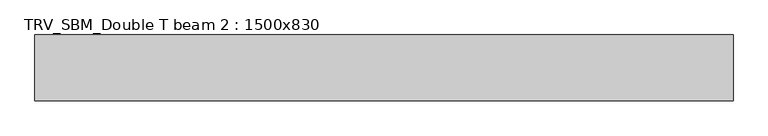
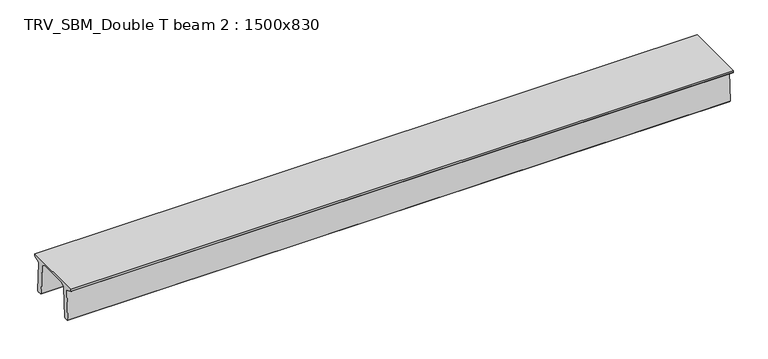
"""IFC4 building model written with IfcOpenShell, lengths in millimetres: beam geometry, TRV_SBM_Double T beam 2 : 1500x830."""

from ifc_helpers import new_model, si_unit, frame, origin, place, context, project, spatial, polyline, outline, extrude, source, transform, mapped, element, save


def trv_sbm_double_t_beam_2_1500x830_498d241c(model_context):
    return source(origin(), model_context, "Body", "SweptSolid", [
        extrude(outline(polyline([(337.4555014, 470.0), (-343.4555014, 470.0), (-456.5828437, 409.8491251), (-494.786332, -340.5206011), (-514.2657308, -360.0), (-604.2657308, -360.0), (-624.8277662, -339.4379646), (-586.9373878, 401.9654693), (-752.8511046, 468.9989621), (-753.0, 475.0), (-753.0, 520.0), (747.0, 520.0), (747.0, 475.0), (746.8511046, 468.9989621), (580.9373878, 401.9654693), (618.8277662, -339.4379646), (598.2657308, -360.0), (508.2657308, -360.0), (488.786332, -340.5206011), (450.5828437, 409.8491251), (337.4555014, 470.0)])), frame((-7931.0, 0.0, 0.0), z_axis=(1.0, 0.0, 0.0), x_axis=(0.0, 1.0, 0.0)), (0.0, 0.0, 1.0), 15939.0),
    ])


if __name__ == "__main__":
    model = new_model("IFC4")
    model_context = context("Model", 3, world=origin())
    ifc_project = project(units=[si_unit("LENGTHUNIT", "METRE", prefix="MILLI")], contexts=[model_context])
    site = spatial("IfcSite", under=ifc_project)
    building = spatial("IfcBuilding", under=site)
    placement = place(None, origin())
    trv_sbm_double_t_beam_2_1500x830_shape = trv_sbm_double_t_beam_2_1500x830_498d241c(model_context)
    element("IfcBeam", 1, ObjectType="TRV_SBM_Double T beam 2 : 1500x830", at=placement, inside=building, context=model_context, shape_type="MappedRepresentation", body=[
        mapped(trv_sbm_double_t_beam_2_1500x830_shape, transform((0.0, 0.0, 0.0), x_axis=(1.0, 0.0, 0.0), y_axis=(0.0, 1.0, 0.0), z_axis=(0.0, 0.0, 1.0))),
    ])
    save(model, "model.ifc")
